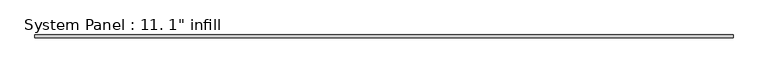
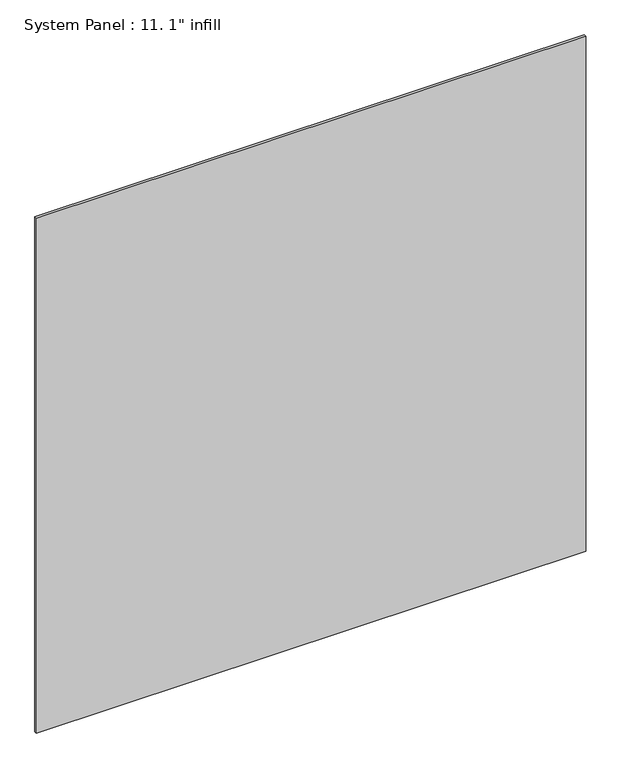
"""IFC4 building model written with IfcOpenShell, lengths in millimetres: plate geometry."""

import ifcopenshell
import ifcopenshell.guid

model = None  # the IFC model being written
_history = None  # IfcOwnerHistory: only IFC2X3 demands one
_inside = {}  # id of a spatial element -> (the spatial element, [elements in it])
_under = {}  # id of a project, library or spatial element -> (it, [spatial elements below it])
_declared = {}  # id of a project -> (the project, [libraries it declares])
_typed = {}  # id of a type object -> (the type object, [elements of that type])
_made_of = {}  # id of a material, layer set ... -> (it, [elements and type objects made of it])


def new_model(schema):
    """Start an empty IFC model of exactly this schema.

    Asked for "IFC4X3", IfcOpenShell would pick the latest addendum, in which some entities
    have other attributes; the version numbers below select the first issue.
    IFC2X3 requires an IfcOwnerHistory on every rooted entity: one is made here for all.
    """
    global model, _history
    if schema == "IFC4X3":
        model = ifcopenshell.file(schema_version=(4, 3, 0, 0))
    else:
        model = ifcopenshell.file(schema=schema)
    _inside.clear()
    _under.clear()
    _declared.clear()
    _typed.clear()
    _made_of.clear()
    _history = None
    if model.schema == "IFC2X3":
        org = make("IfcOrganization", Name="unknown")
        user = make(
            "IfcPersonAndOrganization",
            ThePerson=make("IfcPerson", FamilyName="unknown"),
            TheOrganization=org,
        )
        app = make(
            "IfcApplication",
            ApplicationDeveloper=org,
            Version="unknown",
            ApplicationFullName="unknown",
            ApplicationIdentifier="unknown",
        )
        _history = make(
            "IfcOwnerHistory",
            OwningUser=user,
            OwningApplication=app,
            ChangeAction="ADDED",
            CreationDate=0,
        )
    return model


def make(cls, **values):
    """One entity of the class cls with the attributes given. An attribute that is None is left unset."""
    return model.create_entity(
        cls, **{name: value for name, value in values.items() if value is not None}
    )


def rooted(cls, **values):
    """An entity with a GlobalId (a new one), such as an element, a storey or a relation."""
    return make(cls, GlobalId=ifcopenshell.guid.new(), OwnerHistory=_history, **values)


def si_unit(unit_type, name, prefix=None):
    """IfcSIUnit, for example si_unit("LENGTHUNIT", "METRE", prefix="MILLI")."""
    return make("IfcSIUnit", UnitType=unit_type, Prefix=prefix, Name=name)


def assignment(units):
    """IfcUnitAssignment: the units of a project."""
    return None if units is None else make("IfcUnitAssignment", Units=units)


def point(xyz):
    """IfcCartesianPoint."""
    return None if xyz is None else make("IfcCartesianPoint", Coordinates=xyz)


def direction(xyz):
    """IfcDirection."""
    return None if xyz is None else make("IfcDirection", DirectionRatios=xyz)


def frame(location, z_axis=None, x_axis=None):
    """IfcAxis2Placement3D, a coordinate frame: its origin and axes. An axis left out is left unset."""
    return make(
        "IfcAxis2Placement3D",
        Location=point(location),
        Axis=direction(z_axis),
        RefDirection=direction(x_axis),
    )


def origin():
    """The frame at (0, 0, 0) with its axes left unset."""
    return frame((0.0, 0.0, 0.0))


def origin_with_axes():
    """The frame at (0, 0, 0) with the z axis (0, 0, 1) and the x axis (1, 0, 0) written out."""
    return frame((0.0, 0.0, 0.0), z_axis=(0.0, 0.0, 1.0), x_axis=(1.0, 0.0, 0.0))


def place(relative_to, where):
    """IfcLocalPlacement: puts the frame where relative to a parent placement (None: the world)."""
    return make(
        "IfcLocalPlacement", PlacementRelTo=relative_to, RelativePlacement=where
    )


def context(
    kind, dimensions, precision=None, world=None, true_north=None, identifier=None
):
    """IfcGeometricRepresentationContext, for example the 3D "Model" context."""
    return make(
        "IfcGeometricRepresentationContext",
        ContextIdentifier=identifier,
        ContextType=kind,
        CoordinateSpaceDimension=dimensions,
        Precision=precision,
        WorldCoordinateSystem=world,
        TrueNorth=true_north,
    )


def project(units=None, contexts=None):
    """IfcProject with its units and contexts."""
    return rooted(
        "IfcProject",
        Name="project",
        RepresentationContexts=contexts,
        UnitsInContext=assignment(units),
    )


def spatial(cls, under=None, at=None, **own):
    """A site, building, storey or space (cls), placed at a placement, below another one or the project."""
    s = rooted(cls, ObjectPlacement=at, **own)
    if under is not None:
        _under.setdefault(under.id(), (under, []))[1].append(s)
    return s


def polyline(points):
    """IfcPolyline through the points."""
    return make("IfcPolyline", Points=[point(p) for p in points])


def outline(outer, holes=None, kind="AREA"):
    """IfcArbitraryClosedProfileDef: a profile drawn as a closed curve; with holes, ...WithVoids."""
    if holes is None:
        return make("IfcArbitraryClosedProfileDef", ProfileType=kind, OuterCurve=outer)
    return make(
        "IfcArbitraryProfileDefWithVoids",
        ProfileType=kind,
        OuterCurve=outer,
        InnerCurves=holes,
    )


def extrude(swept, where, along, depth):
    """IfcExtrudedAreaSolid: the profile swept, set in the frame where, extruded along a direction by depth."""
    return make(
        "IfcExtrudedAreaSolid",
        SweptArea=swept,
        Position=where,
        ExtrudedDirection=direction(along),
        Depth=depth,
    )


def shape(context_of_items, identifier, shape_type, items):
    """IfcShapeRepresentation: the items that make up one representation, for example the "Body"."""
    return make(
        "IfcShapeRepresentation",
        ContextOfItems=context_of_items,
        RepresentationIdentifier=identifier,
        RepresentationType=shape_type,
        Items=items,
    )


def source(mapping_origin, context_of_items, identifier, shape_type, items):
    """IfcRepresentationMap: a shape defined once, which mapped items show again and again."""
    return make(
        "IfcRepresentationMap",
        MappingOrigin=mapping_origin,
        MappedRepresentation=shape(context_of_items, identifier, shape_type, items),
    )


def transform(
    local_origin,
    x_axis=None,
    y_axis=None,
    z_axis=None,
    scale=None,
    scale2=None,
    scale3=None,
    uniform=True,
):
    """IfcCartesianTransformationOperator3D, or its non-uniform kind. x_axis, y_axis, z_axis: its Axis1, 2, 3."""
    if uniform:
        return make(
            "IfcCartesianTransformationOperator3D",
            Axis1=direction(x_axis),
            Axis2=direction(y_axis),
            LocalOrigin=point(local_origin),
            Scale=scale,
            Axis3=direction(z_axis),
        )
    return make(
        "IfcCartesianTransformationOperator3DnonUniform",
        Axis1=direction(x_axis),
        Axis2=direction(y_axis),
        LocalOrigin=point(local_origin),
        Scale=scale,
        Axis3=direction(z_axis),
        Scale2=scale2,
        Scale3=scale3,
    )


def mapped(mapping_source, mapping_target):
    """IfcMappedItem: shows the shape of a source again, moved by a transform."""
    return make(
        "IfcMappedItem", MappingSource=mapping_source, MappingTarget=mapping_target
    )


def made_of(thing, what):
    """Note that an element or type object is made of a material, layer set ...; save() writes the relation."""
    if what is not None:
        _made_of.setdefault(what.id(), (what, []))[1].append(thing)
    return thing


def element(
    cls,
    number,
    at=None,
    inside=None,
    cuts=None,
    type_object=None,
    material=None,
    context=None,
    identifier="Body",
    shape_type=None,
    held_by="IfcProductDefinitionShape",
    body=None,
    shapes=None,
    **own,
):
    """One element of the class cls, such as IfcWall. Its Tag is "e" and its number.

    at: its placement. inside: the storey or other place that contains it. cuts: it is an
    opening in that element (IfcRelVoidsElement). A single representation is given by context,
    identifier, shape_type and body (its items); several are given by shapes. held_by: the class
    of the entity that holds the representations. save() writes the other relations.
    """
    e = rooted(cls, Tag="e%d" % number, ObjectPlacement=at, **own)
    if body is not None:
        shapes = [shape(context, identifier, shape_type, body)]
    if shapes is not None:
        e.Representation = make(held_by, Representations=shapes)
    if inside is not None:
        _inside.setdefault(inside.id(), (inside, []))[1].append(e)
    if cuts is not None:
        rooted(
            "IfcRelVoidsElement", RelatingBuildingElement=cuts, RelatedOpeningElement=e
        )
    if type_object is not None:
        _typed.setdefault(type_object.id(), (type_object, []))[1].append(e)
    return made_of(e, material)


def aggregate(whole, parts):
    """IfcRelAggregates: a whole, such as a stair, and the parts it consists of."""
    return rooted("IfcRelAggregates", RelatingObject=whole, RelatedObjects=parts)


def save(model, path):
    """Write the relations noted so far, then the file.

    IfcRelAggregates (storeys below a building ...), IfcRelContainedInSpatialStructure (elements
    in a storey), IfcRelDefinesByType, IfcRelAssociatesMaterial and IfcRelDeclares: one each for
    every whole, place, type object, material and project.
    """
    for whole, parts in _under.values():
        aggregate(whole, parts)
    for where, things in _inside.values():
        rooted(
            "IfcRelContainedInSpatialStructure",
            RelatedElements=things,
            RelatingStructure=where,
        )
    for kind, things in _typed.values():
        rooted("IfcRelDefinesByType", RelatedObjects=things, RelatingType=kind)
    for what, things in _made_of.values():
        rooted("IfcRelAssociatesMaterial", RelatedObjects=things, RelatingMaterial=what)
    for by, libraries in _declared.values():
        rooted("IfcRelDeclares", RelatingContext=by, RelatedDefinitions=libraries)
    model.write(path)


def plate_87fbe8b1(model_context):
    return source(origin(), model_context, "Body", "SweptSolid", [
        extrude(outline(polyline([(3019.424729, -12.7), (-3019.424729, -12.7), (-3019.424729, 12.7), (3019.424729, 12.7), (3019.424729, -12.7)])), origin_with_axes(), (0.0, 0.0, 1.0), 5981.7066709),
    ])


if __name__ == "__main__":
    model = new_model("IFC4")
    model_context = context("Model", 3, world=origin())
    ifc_project = project(units=[si_unit("LENGTHUNIT", "METRE", prefix="MILLI")], contexts=[model_context])
    site = spatial("IfcSite", under=ifc_project)
    building = spatial("IfcBuilding", under=site)
    placement = place(None, origin())
    plate_shape = plate_87fbe8b1(model_context)
    element("IfcPlate", 1, ObjectType="System Panel : 11. 1\" infill", at=placement, inside=building, context=model_context, shape_type="MappedRepresentation", body=[
        mapped(plate_shape, transform((0.0, 0.0, 0.0), x_axis=(1.0, 0.0, 0.0), y_axis=(0.0, 1.0, 0.0), z_axis=(0.0, 0.0, 1.0))),
    ])
    save(model, "model.ifc")
